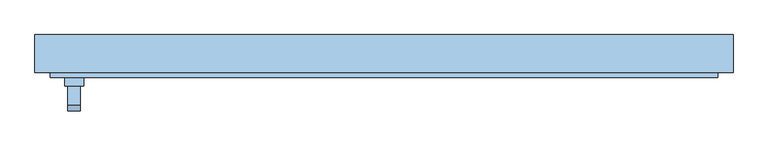
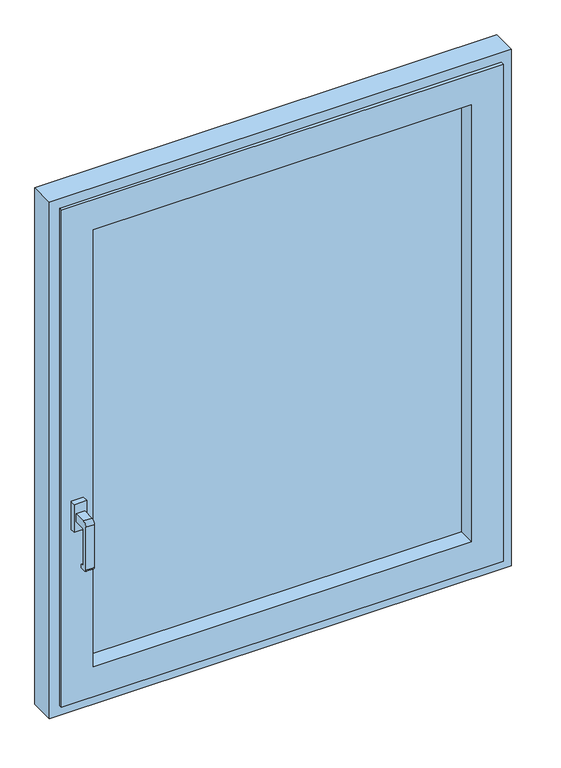
"""IFC4 building model written with IfcOpenShell, lengths in millimetres: window geometry."""

from ifc_helpers import new_model, si_unit, point, frame, frame_2d, origin, place, context, project, spatial, polyline, circle_curve, trimmed, segment, composite_curve, outline, extrude, faceted_brep, source, transform, mapped, element, save


def window_5700e340(model_context):
    return source(origin(), model_context, "Body", "SolidModel", [
        extrude(outline(composite_curve([segment(polyline([(-80.5, 1410.0), (-50.5, 1410.0), (-50.5, 1390.0), (-75.5, 1390.0)]), True, "CONTINUOUS"), segment(trimmed(circle_curve(frame_2d((-75.5, 1385.0)), 5.0), [point((-75.5, 1390.0))], [point((-80.5, 1385.0))], True, "CARTESIAN"), True, "CONTINUOUS"), segment(polyline([(-80.5, 1385.0), (-80.5, 1300.0786403)]), True, "CONTINUOUS"), segment(trimmed(circle_curve(frame_2d((-77.4213597, 1300.0786403)), 3.0786403), [point((-80.5, 1300.0786403))], [point((-77.4213597, 1297.0))], True, "CARTESIAN"), True, "CONTINUOUS"), segment(polyline([(-77.4213597, 1297.0), (-75.5, 1297.0)]), True, "CONTINUOUS"), segment(trimmed(circle_curve(frame_2d((-75.5, 1292.0)), 5.0), [point((-75.5, 1297.0))], [point((-75.5, 1287.0))], False, "CARTESIAN"), True, "CONTINUOUS"), segment(polyline([(-75.5, 1287.0), (-85.8955173, 1287.0)]), True, "CONTINUOUS"), segment(trimmed(circle_curve(frame_2d((-85.8955173, 1291.6044827)), 4.6044827), [point((-85.8955173, 1287.0))], [point((-90.5, 1291.6044827))], False, "CARTESIAN"), True, "CONTINUOUS"), segment(polyline([(-90.5, 1291.6044827), (-90.5, 1400.0)]), True, "CONTINUOUS"), segment(trimmed(circle_curve(frame_2d((-80.5, 1400.0)), 10.0), [point((-90.5, 1400.0))], [point((-80.5, 1410.0))], False, "CARTESIAN"), True, "CONTINUOUS")], self_intersect=False)), frame((-498.2536732, 0.0, 0.0), z_axis=(1.0, 0.0, 0.0), x_axis=(0.0, 1.0, 0.0)), (0.0, 0.0, 1.0), 20.0),
        extrude(outline(polyline([(-503.2536732, -50.5), (-503.2536732, -37.5), (-473.2536732, -37.5), (-473.2536732, -50.5), (-503.2536732, -50.5)])), frame((0.0, 0.0, 1365.0), z_axis=(0.0, 0.0, 1.0), x_axis=(1.0, 0.0, 0.0)), (0.0, 0.0, 1.0), 70.0),
        extrude(outline(polyline([(-450.5, 10.0), (450.5, 10.0), (450.5, 4.0), (-450.5, 4.0), (-450.5, 10.0)])), frame((0.0, 0.0, 999.5), z_axis=(0.0, 0.0, 1.0), x_axis=(1.0, 0.0, 0.0)), (0.0, 0.0, 1.0), 1101.0),
        extrude(outline(polyline([(-450.5, 22.0), (450.5, 22.0), (450.5, 16.0), (-450.5, 16.0), (-450.5, 22.0)])), frame((0.0, 0.0, 999.5), z_axis=(0.0, 0.0, 1.0), x_axis=(1.0, 0.0, 0.0)), (0.0, 0.0, 1.0), 1101.0),
        faceted_brep([(-520.0, -30.0, 2170.0), (-520.0, 20.0, 2170.0), (-520.0, 20.0, 930.0), (-520.0, -30.0, 930.0), (520.0, 20.0, 2170.0), (520.0, 20.0, 930.0), (-492.0, 20.0, 958.0), (492.0, 20.0, 958.0), (492.0, 20.0, 2142.0), (-492.0, 20.0, 2142.0), (520.0, -30.0, 930.0), (-526.0, -30.0, 2176.0), (526.0, -30.0, 2176.0), (526.0, -30.0, 924.0), (-526.0, -30.0, 924.0), (520.0, -30.0, 2170.0), (-526.0, -37.5, 2176.0), (-526.0, -37.5, 924.0), (526.0, -37.5, 924.0), (526.0, -37.5, 2176.0), (-450.5, -37.5, 2100.5), (450.5, -37.5, 2100.5), (450.5, -37.5, 999.5), (-450.5, -37.5, 999.5), (-450.5, 30.0, 2100.5), (-450.5, 30.0, 999.5), (450.5, 30.0, 999.5), (-492.0, 30.0, 2142.0), (492.0, 30.0, 2142.0), (492.0, 30.0, 958.0), (-492.0, 30.0, 958.0), (450.5, 30.0, 2100.5)], [[[0, 1, 2, 3]], [[1, 4, 5, 2], [6, 7, 8, 9]], [[3, 2, 5, 10]], [[11, 12, 13, 14], [3, 10, 15, 0]], [[16, 11, 14, 17]], [[17, 14, 13, 18]], [[17, 18, 19, 16], [20, 21, 22, 23]], [[24, 20, 23, 25]], [[25, 23, 22, 26]], [[27, 28, 29, 30], [25, 26, 31, 24]], [[9, 27, 30, 6]], [[6, 30, 29, 7]], [[10, 5, 4, 15]], [[18, 13, 12, 19]], [[26, 22, 21, 31]], [[7, 29, 28, 8]], [[15, 4, 1, 0]], [[19, 12, 11, 16]], [[31, 21, 20, 24]], [[8, 28, 27, 9]]]),
        faceted_brep([(-550.0, 30.0, 2200.0), (-550.0, 30.0, 900.0), (-550.0, -30.0, 900.0), (-550.0, -30.0, 2200.0), (550.0, 30.0, 2200.0), (550.0, 30.0, 900.0), (-492.0, 30.0, 958.0), (492.0, 30.0, 958.0), (492.0, 30.0, 2142.0), (-492.0, 30.0, 2142.0), (550.0, -30.0, 900.0), (550.0, -30.0, 2200.0), (-520.0, -30.0, 2170.0), (520.0, -30.0, 2170.0), (520.0, -30.0, 930.0), (-520.0, -30.0, 930.0), (-520.0, 20.0, 2170.0), (-520.0, 20.0, 930.0), (520.0, 20.0, 930.0), (520.0, 20.0, 2170.0), (-492.0, 20.0, 2142.0), (492.0, 20.0, 2142.0), (492.0, 20.0, 958.0), (-492.0, 20.0, 958.0)], [[[0, 1, 2, 3]], [[0, 4, 5, 1], [6, 7, 8, 9]], [[2, 1, 5, 10]], [[2, 10, 11, 3], [12, 13, 14, 15]], [[16, 12, 15, 17]], [[17, 15, 14, 18]], [[17, 18, 19, 16], [20, 21, 22, 23]], [[9, 20, 23, 6]], [[6, 23, 22, 7]], [[10, 5, 4, 11]], [[18, 14, 13, 19]], [[7, 22, 21, 8]], [[11, 4, 0, 3]], [[19, 13, 12, 16]], [[8, 21, 20, 9]]]),
    ])


if __name__ == "__main__":
    model = new_model("IFC4")
    model_context = context("Model", 3, world=origin())
    ifc_project = project(units=[si_unit("LENGTHUNIT", "METRE", prefix="MILLI")], contexts=[model_context])
    site = spatial("IfcSite", under=ifc_project)
    building = spatial("IfcBuilding", under=site)
    placement = place(None, origin())
    window_shape = window_5700e340(model_context)
    element("IfcWindow", 1, at=placement, inside=building, context=model_context, shape_type="MappedRepresentation", body=[
        mapped(window_shape, transform((0.0, 0.0, 0.0), x_axis=(1.0, 0.0, 0.0), y_axis=(0.0, 1.0, 0.0), z_axis=(0.0, 0.0, 1.0))),
    ])
    save(model, "model.ifc")
